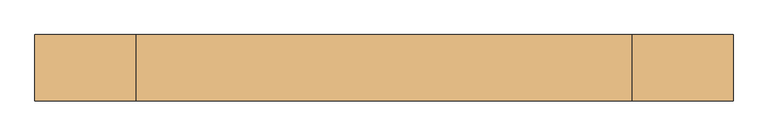
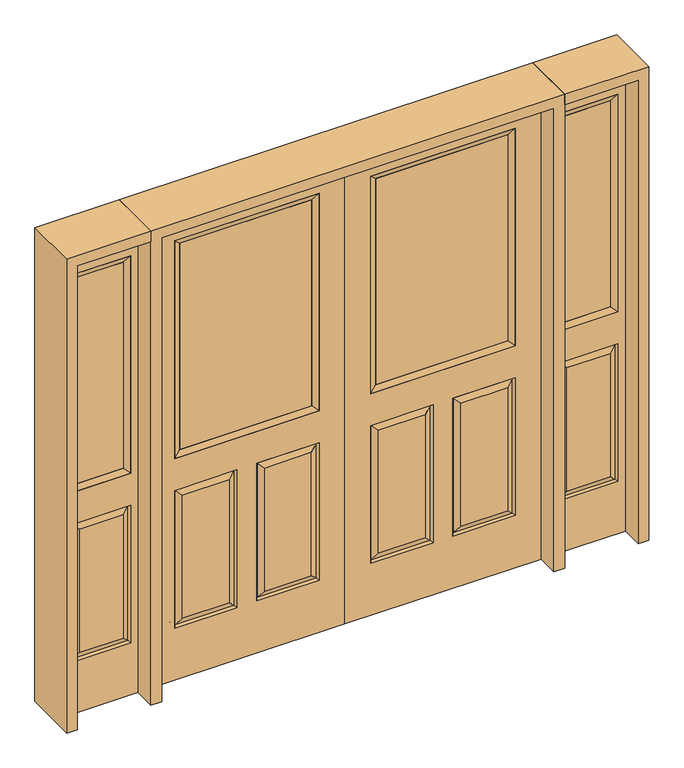
"""IFC4 building model written with IfcOpenShell, lengths in millimetres: door geometry."""

import ifcopenshell
import ifcopenshell.guid

model = None  # the IFC model being written
_history = None  # IfcOwnerHistory: only IFC2X3 demands one
_inside = {}  # id of a spatial element -> (the spatial element, [elements in it])
_under = {}  # id of a project, library or spatial element -> (it, [spatial elements below it])
_declared = {}  # id of a project -> (the project, [libraries it declares])
_typed = {}  # id of a type object -> (the type object, [elements of that type])
_made_of = {}  # id of a material, layer set ... -> (it, [elements and type objects made of it])


def new_model(schema):
    """Start an empty IFC model of exactly this schema.

    Asked for "IFC4X3", IfcOpenShell would pick the latest addendum, in which some entities
    have other attributes; the version numbers below select the first issue.
    IFC2X3 requires an IfcOwnerHistory on every rooted entity: one is made here for all.
    """
    global model, _history
    if schema == "IFC4X3":
        model = ifcopenshell.file(schema_version=(4, 3, 0, 0))
    else:
        model = ifcopenshell.file(schema=schema)
    _inside.clear()
    _under.clear()
    _declared.clear()
    _typed.clear()
    _made_of.clear()
    _history = None
    if model.schema == "IFC2X3":
        org = make("IfcOrganization", Name="unknown")
        user = make(
            "IfcPersonAndOrganization",
            ThePerson=make("IfcPerson", FamilyName="unknown"),
            TheOrganization=org,
        )
        app = make(
            "IfcApplication",
            ApplicationDeveloper=org,
            Version="unknown",
            ApplicationFullName="unknown",
            ApplicationIdentifier="unknown",
        )
        _history = make(
            "IfcOwnerHistory",
            OwningUser=user,
            OwningApplication=app,
            ChangeAction="ADDED",
            CreationDate=0,
        )
    return model


def make(cls, **values):
    """One entity of the class cls with the attributes given. An attribute that is None is left unset."""
    return model.create_entity(
        cls, **{name: value for name, value in values.items() if value is not None}
    )


def rooted(cls, **values):
    """An entity with a GlobalId (a new one), such as an element, a storey or a relation."""
    return make(cls, GlobalId=ifcopenshell.guid.new(), OwnerHistory=_history, **values)


def si_unit(unit_type, name, prefix=None):
    """IfcSIUnit, for example si_unit("LENGTHUNIT", "METRE", prefix="MILLI")."""
    return make("IfcSIUnit", UnitType=unit_type, Prefix=prefix, Name=name)


def assignment(units):
    """IfcUnitAssignment: the units of a project."""
    return None if units is None else make("IfcUnitAssignment", Units=units)


def point(xyz):
    """IfcCartesianPoint."""
    return None if xyz is None else make("IfcCartesianPoint", Coordinates=xyz)


def direction(xyz):
    """IfcDirection."""
    return None if xyz is None else make("IfcDirection", DirectionRatios=xyz)


def frame(location, z_axis=None, x_axis=None):
    """IfcAxis2Placement3D, a coordinate frame: its origin and axes. An axis left out is left unset."""
    return make(
        "IfcAxis2Placement3D",
        Location=point(location),
        Axis=direction(z_axis),
        RefDirection=direction(x_axis),
    )


def origin():
    """The frame at (0, 0, 0) with its axes left unset."""
    return frame((0.0, 0.0, 0.0))


def place(relative_to, where):
    """IfcLocalPlacement: puts the frame where relative to a parent placement (None: the world)."""
    return make(
        "IfcLocalPlacement", PlacementRelTo=relative_to, RelativePlacement=where
    )


def context(
    kind, dimensions, precision=None, world=None, true_north=None, identifier=None
):
    """IfcGeometricRepresentationContext, for example the 3D "Model" context."""
    return make(
        "IfcGeometricRepresentationContext",
        ContextIdentifier=identifier,
        ContextType=kind,
        CoordinateSpaceDimension=dimensions,
        Precision=precision,
        WorldCoordinateSystem=world,
        TrueNorth=true_north,
    )


def project(units=None, contexts=None):
    """IfcProject with its units and contexts."""
    return rooted(
        "IfcProject",
        Name="project",
        RepresentationContexts=contexts,
        UnitsInContext=assignment(units),
    )


def spatial(cls, under=None, at=None, **own):
    """A site, building, storey or space (cls), placed at a placement, below another one or the project."""
    s = rooted(cls, ObjectPlacement=at, **own)
    if under is not None:
        _under.setdefault(under.id(), (under, []))[1].append(s)
    return s


def polyline(points):
    """IfcPolyline through the points."""
    return make("IfcPolyline", Points=[point(p) for p in points])


def outline(outer, holes=None, kind="AREA"):
    """IfcArbitraryClosedProfileDef: a profile drawn as a closed curve; with holes, ...WithVoids."""
    if holes is None:
        return make("IfcArbitraryClosedProfileDef", ProfileType=kind, OuterCurve=outer)
    return make(
        "IfcArbitraryProfileDefWithVoids",
        ProfileType=kind,
        OuterCurve=outer,
        InnerCurves=holes,
    )


def extrude(swept, where, along, depth):
    """IfcExtrudedAreaSolid: the profile swept, set in the frame where, extruded along a direction by depth."""
    return make(
        "IfcExtrudedAreaSolid",
        SweptArea=swept,
        Position=where,
        ExtrudedDirection=direction(along),
        Depth=depth,
    )


def faces_of(points, faces, orient=None, outer=None):
    """IfcFace entities. A face is a list of loops; a loop is a list of indices into points, from 0.

    orient and outer hold one flag for each loop. By default every Orientation is true, the
    first loop of a face is its IfcFaceOuterBound and the others are IfcFaceBound.
    """
    made = []
    for i, loops in enumerate(faces):
        bounds = []
        for j, loop in enumerate(loops):
            is_outer = j == 0 if outer is None else outer[i][j]
            bounds.append(
                make(
                    "IfcFaceOuterBound" if is_outer else "IfcFaceBound",
                    Bound=make("IfcPolyLoop", Polygon=[points[k] for k in loop]),
                    Orientation=True if orient is None else orient[i][j],
                )
            )
        made.append(make("IfcFace", Bounds=bounds))
    return made


def faceted_brep(points, faces, orient=None, outer=None, voids=None):
    """IfcFacetedBrep: a solid bounded by flat faces; with voids (closed shells), ...WithVoids."""
    shared = [point(p) for p in points]
    hull = make("IfcClosedShell", CfsFaces=faces_of(shared, faces, orient, outer))
    if voids is None:
        return make("IfcFacetedBrep", Outer=hull)
    return make(
        "IfcFacetedBrepWithVoids",
        Outer=hull,
        Voids=[
            make(cls, CfsFaces=faces_of(shared, fs, o, b)) for cls, fs, o, b in voids
        ],
    )


def shape(context_of_items, identifier, shape_type, items):
    """IfcShapeRepresentation: the items that make up one representation, for example the "Body"."""
    return make(
        "IfcShapeRepresentation",
        ContextOfItems=context_of_items,
        RepresentationIdentifier=identifier,
        RepresentationType=shape_type,
        Items=items,
    )


def source(mapping_origin, context_of_items, identifier, shape_type, items):
    """IfcRepresentationMap: a shape defined once, which mapped items show again and again."""
    return make(
        "IfcRepresentationMap",
        MappingOrigin=mapping_origin,
        MappedRepresentation=shape(context_of_items, identifier, shape_type, items),
    )


def transform(
    local_origin,
    x_axis=None,
    y_axis=None,
    z_axis=None,
    scale=None,
    scale2=None,
    scale3=None,
    uniform=True,
):
    """IfcCartesianTransformationOperator3D, or its non-uniform kind. x_axis, y_axis, z_axis: its Axis1, 2, 3."""
    if uniform:
        return make(
            "IfcCartesianTransformationOperator3D",
            Axis1=direction(x_axis),
            Axis2=direction(y_axis),
            LocalOrigin=point(local_origin),
            Scale=scale,
            Axis3=direction(z_axis),
        )
    return make(
        "IfcCartesianTransformationOperator3DnonUniform",
        Axis1=direction(x_axis),
        Axis2=direction(y_axis),
        LocalOrigin=point(local_origin),
        Scale=scale,
        Axis3=direction(z_axis),
        Scale2=scale2,
        Scale3=scale3,
    )


def mapped(mapping_source, mapping_target):
    """IfcMappedItem: shows the shape of a source again, moved by a transform."""
    return make(
        "IfcMappedItem", MappingSource=mapping_source, MappingTarget=mapping_target
    )


def made_of(thing, what):
    """Note that an element or type object is made of a material, layer set ...; save() writes the relation."""
    if what is not None:
        _made_of.setdefault(what.id(), (what, []))[1].append(thing)
    return thing


def element(
    cls,
    number,
    at=None,
    inside=None,
    cuts=None,
    type_object=None,
    material=None,
    context=None,
    identifier="Body",
    shape_type=None,
    held_by="IfcProductDefinitionShape",
    body=None,
    shapes=None,
    **own,
):
    """One element of the class cls, such as IfcWall. Its Tag is "e" and its number.

    at: its placement. inside: the storey or other place that contains it. cuts: it is an
    opening in that element (IfcRelVoidsElement). A single representation is given by context,
    identifier, shape_type and body (its items); several are given by shapes. held_by: the class
    of the entity that holds the representations. save() writes the other relations.
    """
    e = rooted(cls, Tag="e%d" % number, ObjectPlacement=at, **own)
    if body is not None:
        shapes = [shape(context, identifier, shape_type, body)]
    if shapes is not None:
        e.Representation = make(held_by, Representations=shapes)
    if inside is not None:
        _inside.setdefault(inside.id(), (inside, []))[1].append(e)
    if cuts is not None:
        rooted(
            "IfcRelVoidsElement", RelatingBuildingElement=cuts, RelatedOpeningElement=e
        )
    if type_object is not None:
        _typed.setdefault(type_object.id(), (type_object, []))[1].append(e)
    return made_of(e, material)


def aggregate(whole, parts):
    """IfcRelAggregates: a whole, such as a stair, and the parts it consists of."""
    return rooted("IfcRelAggregates", RelatingObject=whole, RelatedObjects=parts)


def save(model, path):
    """Write the relations noted so far, then the file.

    IfcRelAggregates (storeys below a building ...), IfcRelContainedInSpatialStructure (elements
    in a storey), IfcRelDefinesByType, IfcRelAssociatesMaterial and IfcRelDeclares: one each for
    every whole, place, type object, material and project.
    """
    for whole, parts in _under.values():
        aggregate(whole, parts)
    for where, things in _inside.values():
        rooted(
            "IfcRelContainedInSpatialStructure",
            RelatedElements=things,
            RelatingStructure=where,
        )
    for kind, things in _typed.values():
        rooted("IfcRelDefinesByType", RelatedObjects=things, RelatingType=kind)
    for what, things in _made_of.values():
        rooted("IfcRelAssociatesMaterial", RelatedObjects=things, RelatingMaterial=what)
    for by, libraries in _declared.values():
        rooted("IfcRelDeclares", RelatingContext=by, RelatedDefinitions=libraries)
    model.write(path)


def door_885481d7(model_context):
    return source(origin(), model_context, "Body", "SolidModel", [
        faceted_brep([(812.8, -22.225, 0.0), (812.8, -22.225, 2032.0), (0.0, -22.225, 2032.0), (0.0, -22.225, 0.0), (705.739, -22.225, 971.55), (107.061, -22.225, 971.55), (107.061, -22.225, 1925.574), (705.739, -22.225, 1925.574), (705.739, -22.225, 831.85), (705.739, -22.225, 228.6), (447.675, -22.225, 228.6), (447.675, -22.225, 831.85), (365.125, -22.225, 831.85), (365.125, -22.225, 228.6), (107.061, -22.225, 228.6), (107.061, -22.225, 831.85), (479.425, -22.225, 800.1), (479.425, -22.225, 260.35), (673.989, -22.225, 260.35), (673.989, -22.225, 800.1), (138.811, -22.225, 800.1), (138.811, -22.225, 260.35), (333.375, -22.225, 260.35), (333.375, -22.225, 800.1), (0.0, 22.225, 0.0), (812.8, 22.225, 0.0), (0.0, 22.225, 2032.0), (812.8, 22.225, 2032.0), (705.739, 22.225, 1925.574), (705.739, 22.225, 971.55), (107.061, 22.225, 971.55), (107.061, 22.225, 1925.574), (698.59525, -12.7449236, 824.70625), (454.81875, -12.7449236, 824.70625), (698.59525, -12.7449236, 235.74375), (454.81875, -12.7449236, 235.74375), (114.20475, -12.7449236, 824.70625), (357.98125, -12.7449236, 824.70625), (357.98125, -12.7449236, 235.74375), (114.20475, -12.7449236, 235.74375), (447.675, 22.225, 831.85), (447.675, 22.225, 228.6), (705.739, 22.225, 228.6), (705.739, 22.225, 831.85), (107.061, 22.225, 831.85), (107.061, 22.225, 228.6), (365.125, 22.225, 228.6), (365.125, 22.225, 831.85), (673.989, 22.225, 800.1), (673.989, 22.225, 260.35), (479.425, 22.225, 260.35), (479.425, 22.225, 800.1), (333.375, 22.225, 800.1), (333.375, 22.225, 260.35), (138.811, 22.225, 260.35), (138.811, 22.225, 800.1), (698.59525, 12.7449236, 824.70625), (454.81875, 12.7449236, 824.70625), (454.81875, 12.7449236, 235.74375), (698.59525, 12.7449236, 235.74375), (114.20475, 12.7449236, 824.70625), (357.98125, 12.7449236, 824.70625), (114.20475, 12.7449236, 235.74375), (357.98125, 12.7449236, 235.74375)], [[[0, 1, 2, 3], [4, 5, 6, 7], [8, 9, 10, 11], [12, 13, 14, 15]], [[16, 17, 18, 19]], [[20, 21, 22, 23]], [[3, 24, 25, 0]], [[2, 26, 24, 3]], [[0, 25, 27, 1]], [[7, 28, 29, 4]], [[5, 30, 31, 6]], [[4, 29, 30, 5]], [[16, 19, 32, 33]], [[19, 18, 34, 32]], [[35, 34, 18, 17]], [[33, 35, 17, 16]], [[32, 8, 11, 33]], [[11, 10, 35, 33]], [[10, 9, 34, 35]], [[32, 34, 9, 8]], [[36, 20, 23, 37]], [[23, 22, 38, 37]], [[22, 21, 39, 38]], [[36, 39, 21, 20]], [[37, 12, 15, 36]], [[15, 14, 39, 36]], [[38, 39, 14, 13]], [[37, 38, 13, 12]], [[25, 24, 26, 27], [29, 28, 31, 30], [40, 41, 42, 43], [44, 45, 46, 47]], [[48, 49, 50, 51]], [[52, 53, 54, 55]], [[56, 48, 51, 57]], [[51, 50, 58, 57]], [[50, 49, 59, 58]], [[56, 59, 49, 48]], [[57, 40, 43, 56]], [[43, 42, 59, 56]], [[58, 59, 42, 41]], [[57, 58, 41, 40]], [[52, 55, 60, 61]], [[55, 54, 62, 60]], [[63, 62, 54, 53]], [[61, 63, 53, 52]], [[60, 44, 47, 61]], [[47, 46, 63, 61]], [[46, 45, 62, 63]], [[60, 62, 45, 44]], [[1, 27, 26, 2]], [[6, 31, 28, 7]]]),
        extrude(outline(polyline([(132.461, -12.7), (132.461, 12.7), (680.339, 12.7), (680.339, -12.7), (132.461, -12.7)])), frame((0.0, 0.0, 996.95), z_axis=(0.0, 0.0, 1.0), x_axis=(1.0, 0.0, 0.0)), (0.0, 0.0, 1.0), 903.224),
        faceted_brep([(705.739, -22.225, 1925.574), (705.739, -22.225, 971.55), (705.739, 22.225, 971.55), (705.739, 22.225, 1925.574), (107.061, -22.225, 971.55), (107.061, 22.225, 971.55), (132.461, 12.7, 996.95), (680.339, 12.7, 996.95), (107.061, -22.225, 1925.574), (107.061, 22.225, 1925.574), (680.339, -12.7, 996.95), (132.461, -12.7, 996.95), (680.339, -12.7, 1900.174), (132.461, -12.7, 1900.174), (680.339, 12.7, 1900.174), (132.461, 12.7, 1900.174)], [[[0, 1, 2, 3]], [[1, 4, 5, 2]], [[2, 5, 6, 7]], [[4, 8, 9, 5]], [[10, 11, 4, 1]], [[12, 10, 1, 0]], [[11, 13, 8, 4]], [[7, 6, 11, 10]], [[14, 7, 10, 12]], [[6, 15, 13, 11]], [[3, 2, 7, 14]], [[5, 9, 15, 6]], [[8, 0, 3, 9]], [[13, 12, 0, 8]], [[15, 14, 12, 13]], [[9, 3, 14, 15]]]),
        faceted_brep([(-812.8, -22.225, 0.0), (0.0, -22.225, 0.0), (0.0, -22.225, 2032.0), (-812.8, -22.225, 2032.0), (-705.739, -22.225, 971.55), (-705.739, -22.225, 1925.574), (-107.061, -22.225, 1925.574), (-107.061, -22.225, 971.55), (-705.739, -22.225, 831.85), (-447.675, -22.225, 831.85), (-447.675, -22.225, 228.6), (-705.739, -22.225, 228.6), (-365.125, -22.225, 831.85), (-107.061, -22.225, 831.85), (-107.061, -22.225, 228.6), (-365.125, -22.225, 228.6), (-479.425, -22.225, 800.1), (-673.989, -22.225, 800.1), (-673.989, -22.225, 260.35), (-479.425, -22.225, 260.35), (-138.811, -22.225, 800.1), (-333.375, -22.225, 800.1), (-333.375, -22.225, 260.35), (-138.811, -22.225, 260.35), (-812.8, 22.225, 0.0), (0.0, 22.225, 0.0), (0.0, 22.225, 2032.0), (-812.8, 22.225, 2032.0), (-705.739, 22.225, 971.55), (-705.739, 22.225, 1925.574), (-107.061, 22.225, 1925.574), (-107.061, 22.225, 971.55), (-454.81875, -12.7449236, 824.70625), (-698.59525, -12.7449236, 824.70625), (-698.59525, -12.7449236, 235.74375), (-454.81875, -12.7449236, 235.74375), (-114.20475, -12.7449236, 824.70625), (-357.98125, -12.7449236, 824.70625), (-357.98125, -12.7449236, 235.74375), (-114.20475, -12.7449236, 235.74375), (-447.675, 22.225, 831.85), (-705.739, 22.225, 831.85), (-705.739, 22.225, 228.6), (-447.675, 22.225, 228.6), (-107.061, 22.225, 831.85), (-365.125, 22.225, 831.85), (-365.125, 22.225, 228.6), (-107.061, 22.225, 228.6), (-673.989, 22.225, 800.1), (-479.425, 22.225, 800.1), (-479.425, 22.225, 260.35), (-673.989, 22.225, 260.35), (-333.375, 22.225, 800.1), (-138.811, 22.225, 800.1), (-138.811, 22.225, 260.35), (-333.375, 22.225, 260.35), (-698.59525, 12.7449236, 824.70625), (-454.81875, 12.7449236, 824.70625), (-454.81875, 12.7449236, 235.74375), (-698.59525, 12.7449236, 235.74375), (-357.98125, 12.7449236, 824.70625), (-114.20475, 12.7449236, 824.70625), (-114.20475, 12.7449236, 235.74375), (-357.98125, 12.7449236, 235.74375)], [[[0, 1, 2, 3], [4, 5, 6, 7], [8, 9, 10, 11], [12, 13, 14, 15]], [[16, 17, 18, 19]], [[20, 21, 22, 23]], [[1, 0, 24, 25]], [[2, 1, 25, 26]], [[0, 3, 27, 24]], [[5, 4, 28, 29]], [[7, 6, 30, 31]], [[4, 7, 31, 28]], [[16, 32, 33, 17]], [[17, 33, 34, 18]], [[35, 19, 18, 34]], [[32, 16, 19, 35]], [[33, 32, 9, 8]], [[9, 32, 35, 10]], [[10, 35, 34, 11]], [[33, 8, 11, 34]], [[36, 37, 21, 20]], [[21, 37, 38, 22]], [[22, 38, 39, 23]], [[36, 20, 23, 39]], [[37, 36, 13, 12]], [[13, 36, 39, 14]], [[38, 15, 14, 39]], [[37, 12, 15, 38]], [[24, 27, 26, 25], [28, 31, 30, 29], [40, 41, 42, 43], [44, 45, 46, 47]], [[48, 49, 50, 51]], [[52, 53, 54, 55]], [[56, 57, 49, 48]], [[49, 57, 58, 50]], [[50, 58, 59, 51]], [[56, 48, 51, 59]], [[57, 56, 41, 40]], [[41, 56, 59, 42]], [[58, 43, 42, 59]], [[57, 40, 43, 58]], [[52, 60, 61, 53]], [[53, 61, 62, 54]], [[63, 55, 54, 62]], [[60, 52, 55, 63]], [[61, 60, 45, 44]], [[45, 60, 63, 46]], [[46, 63, 62, 47]], [[61, 44, 47, 62]], [[3, 2, 26, 27]], [[6, 5, 29, 30]]]),
        extrude(outline(polyline([(-132.461, -12.7), (-680.339, -12.7), (-680.339, 12.7), (-132.461, 12.7), (-132.461, -12.7)])), frame((0.0, 0.0, 996.95), z_axis=(0.0, 0.0, 1.0), x_axis=(1.0, 0.0, 0.0)), (0.0, 0.0, 1.0), 903.224),
        faceted_brep([(-705.739, -22.225, 1925.574), (-705.739, 22.225, 1925.574), (-705.739, 22.225, 971.55), (-705.739, -22.225, 971.55), (-107.061, 22.225, 971.55), (-107.061, -22.225, 971.55), (-680.339, 12.7, 996.95), (-132.461, 12.7, 996.95), (-107.061, 22.225, 1925.574), (-107.061, -22.225, 1925.574), (-680.339, -12.7, 996.95), (-132.461, -12.7, 996.95), (-680.339, -12.7, 1900.174), (-132.461, -12.7, 1900.174), (-680.339, 12.7, 1900.174), (-132.461, 12.7, 1900.174)], [[[0, 1, 2, 3]], [[3, 2, 4, 5]], [[2, 6, 7, 4]], [[5, 4, 8, 9]], [[10, 3, 5, 11]], [[12, 0, 3, 10]], [[11, 5, 9, 13]], [[6, 10, 11, 7]], [[14, 12, 10, 6]], [[7, 11, 13, 15]], [[1, 14, 6, 2]], [[4, 7, 15, 8]], [[9, 8, 1, 0]], [[13, 9, 0, 12]], [[15, 13, 12, 14]], [[8, 15, 14, 1]]]),
        faceted_brep([(1162.05, -22.225, 0.0), (1162.05, -22.225, 2032.0), (857.25, -22.225, 2032.0), (857.25, -22.225, 0.0), (888.238, -22.225, 1925.574), (1131.062, -22.225, 1925.574), (1131.062, -22.225, 971.55), (888.238, -22.225, 971.55), (888.238, -22.225, 228.6), (888.238, -22.225, 831.85), (1131.062, -22.225, 831.85), (1131.062, -22.225, 228.6), (1099.1559872, -22.225, 260.5060128), (1099.1559872, -22.225, 799.9439872), (920.1440128, -22.225, 799.9439872), (920.1440128, -22.225, 260.5060128), (857.25, 22.225, 0.0), (1162.05, 22.225, 0.0), (857.25, 22.225, 2032.0), (1162.05, 22.225, 2032.0), (888.238, 22.225, 971.55), (888.238, 22.225, 1925.574), (1131.062, 22.225, 971.55), (1131.062, 22.225, 1925.574), (1131.062, 22.225, 228.6), (1131.062, 22.225, 831.85), (888.238, 22.225, 831.85), (888.238, 22.225, 228.6), (920.1440128, 22.225, 260.5060128), (920.1440128, 22.225, 799.9439872), (1099.1559872, 22.225, 799.9439872), (1099.1559872, 22.225, 260.5060128), (1124.1419933, -13.0418409, 235.5200067), (895.1580067, -13.0418409, 235.5200067), (1124.1419933, -13.0418409, 824.9299933), (895.1580067, -13.0418409, 824.9299933), (1124.1419933, 13.0418409, 235.5200067), (895.1580067, 13.0418409, 235.5200067), (895.1580067, 13.0418409, 824.9299933), (1124.1419933, 13.0418409, 824.9299933)], [[[0, 1, 2, 3], [4, 5, 6, 7], [8, 9, 10, 11]], [[12, 13, 14, 15]], [[3, 16, 17, 0]], [[2, 18, 16, 3]], [[0, 17, 19, 1]], [[7, 20, 21, 4]], [[6, 22, 20, 7]], [[5, 23, 22, 6]], [[17, 16, 18, 19], [21, 20, 22, 23], [24, 25, 26, 27]], [[28, 29, 30, 31]], [[1, 19, 18, 2]], [[4, 21, 23, 5]], [[8, 11, 32, 33]], [[11, 10, 34, 32]], [[35, 34, 10, 9]], [[33, 35, 9, 8]], [[32, 12, 15, 33]], [[15, 14, 35, 33]], [[14, 13, 34, 35]], [[32, 34, 13, 12]], [[36, 24, 27, 37]], [[27, 26, 38, 37]], [[26, 25, 39, 38]], [[36, 39, 25, 24]], [[37, 28, 31, 36]], [[31, 30, 39, 36]], [[38, 39, 30, 29]], [[37, 38, 29, 28]]]),
        extrude(outline(polyline([(913.638, -12.7), (913.638, 12.7), (1105.662, 12.7), (1105.662, -12.7), (913.638, -12.7)])), frame((0.0, 0.0, 996.95), z_axis=(0.0, 0.0, 1.0), x_axis=(1.0, 0.0, 0.0)), (0.0, 0.0, 1.0), 903.224),
        faceted_brep([(1131.062, -22.225, 1925.574), (1131.062, -22.225, 971.55), (1131.062, 22.225, 971.55), (1131.062, 22.225, 1925.574), (888.238, -22.225, 971.55), (888.238, 22.225, 971.55), (913.638, 12.7, 996.95), (1105.662, 12.7, 996.95), (888.238, -22.225, 1925.574), (888.238, 22.225, 1925.574), (1105.662, -12.7, 996.95), (913.638, -12.7, 996.95), (1105.662, -12.7, 1900.174), (913.638, -12.7, 1900.174), (1105.662, 12.7, 1900.174), (913.638, 12.7, 1900.174)], [[[0, 1, 2, 3]], [[1, 4, 5, 2]], [[2, 5, 6, 7]], [[4, 8, 9, 5]], [[10, 11, 4, 1]], [[12, 10, 1, 0]], [[11, 13, 8, 4]], [[7, 6, 11, 10]], [[14, 7, 10, 12]], [[6, 15, 13, 11]], [[3, 2, 7, 14]], [[5, 9, 15, 6]], [[8, 0, 3, 9]], [[13, 12, 0, 8]], [[15, 14, 12, 13]], [[9, 3, 14, 15]]]),
        faceted_brep([(-1162.05, -22.225, 0.0), (-857.25, -22.225, 0.0), (-857.25, -22.225, 2032.0), (-1162.05, -22.225, 2032.0), (-888.238, -22.225, 1925.574), (-888.238, -22.225, 971.55), (-1131.062, -22.225, 971.55), (-1131.062, -22.225, 1925.574), (-888.238, -22.225, 228.6), (-1131.062, -22.225, 228.6), (-1131.062, -22.225, 831.85), (-888.238, -22.225, 831.85), (-1099.1559872, -22.225, 260.5060128), (-920.1440128, -22.225, 260.5060128), (-920.1440128, -22.225, 799.9439872), (-1099.1559872, -22.225, 799.9439872), (-1162.05, 22.225, 0.0), (-857.25, 22.225, 0.0), (-857.25, 22.225, 2032.0), (-1162.05, 22.225, 2032.0), (-888.238, 22.225, 1925.574), (-888.238, 22.225, 971.55), (-1131.062, 22.225, 971.55), (-1131.062, 22.225, 1925.574), (-1131.062, 22.225, 228.6), (-888.238, 22.225, 228.6), (-888.238, 22.225, 831.85), (-1131.062, 22.225, 831.85), (-920.1440128, 22.225, 260.5060128), (-1099.1559872, 22.225, 260.5060128), (-1099.1559872, 22.225, 799.9439872), (-920.1440128, 22.225, 799.9439872), (-895.1580067, -13.0418409, 235.5200067), (-1124.1419933, -13.0418409, 235.5200067), (-1124.1419933, -13.0418409, 824.9299933), (-895.1580067, -13.0418409, 824.9299933), (-1124.1419933, 13.0418409, 235.5200067), (-895.1580067, 13.0418409, 235.5200067), (-895.1580067, 13.0418409, 824.9299933), (-1124.1419933, 13.0418409, 824.9299933)], [[[0, 1, 2, 3], [4, 5, 6, 7], [8, 9, 10, 11]], [[12, 13, 14, 15]], [[1, 0, 16, 17]], [[2, 1, 17, 18]], [[0, 3, 19, 16]], [[5, 4, 20, 21]], [[6, 5, 21, 22]], [[7, 6, 22, 23]], [[16, 19, 18, 17], [20, 23, 22, 21], [24, 25, 26, 27]], [[28, 29, 30, 31]], [[3, 2, 18, 19]], [[4, 7, 23, 20]], [[8, 32, 33, 9]], [[9, 33, 34, 10]], [[35, 11, 10, 34]], [[32, 8, 11, 35]], [[33, 32, 13, 12]], [[13, 32, 35, 14]], [[14, 35, 34, 15]], [[33, 12, 15, 34]], [[36, 37, 25, 24]], [[25, 37, 38, 26]], [[26, 38, 39, 27]], [[36, 24, 27, 39]], [[37, 36, 29, 28]], [[29, 36, 39, 30]], [[38, 31, 30, 39]], [[37, 28, 31, 38]]]),
        extrude(outline(polyline([(-913.638, -12.7), (-1105.662, -12.7), (-1105.662, 12.7), (-913.638, 12.7), (-913.638, -12.7)])), frame((0.0, 0.0, 996.95), z_axis=(0.0, 0.0, 1.0), x_axis=(1.0, 0.0, 0.0)), (0.0, 0.0, 1.0), 903.224),
        faceted_brep([(-1131.062, -22.225, 1925.574), (-1131.062, 22.225, 1925.574), (-1131.062, 22.225, 971.55), (-1131.062, -22.225, 971.55), (-888.238, 22.225, 971.55), (-888.238, -22.225, 971.55), (-1105.662, 12.7, 996.95), (-913.638, 12.7, 996.95), (-888.238, 22.225, 1925.574), (-888.238, -22.225, 1925.574), (-1105.662, -12.7, 996.95), (-913.638, -12.7, 996.95), (-1105.662, -12.7, 1900.174), (-913.638, -12.7, 1900.174), (-1105.662, 12.7, 1900.174), (-913.638, 12.7, 1900.174)], [[[0, 1, 2, 3]], [[3, 2, 4, 5]], [[2, 6, 7, 4]], [[5, 4, 8, 9]], [[10, 3, 5, 11]], [[12, 0, 3, 10]], [[11, 5, 9, 13]], [[6, 10, 11, 7]], [[14, 12, 10, 6]], [[7, 11, 13, 15]], [[1, 14, 6, 2]], [[4, 7, 15, 8]], [[9, 8, 1, 0]], [[13, 9, 0, 12]], [[15, 13, 12, 14]], [[8, 15, 14, 1]]]),
        extrude(outline(polyline([(2032.0, -857.25), (2076.45, -857.25), (2076.45, -1206.5), (0.0, -1206.5), (0.0, -1162.05), (2032.0, -1162.05), (2032.0, -857.25)])), frame((0.0, -114.3, 0.0), z_axis=(0.0, 1.0, 0.0), x_axis=(0.0, 0.0, 1.0)), (0.0, 0.0, 1.0), 228.6),
        extrude(outline(polyline([(2076.45, 857.25), (2032.0, 857.25), (2032.0, 1162.05), (0.0, 1162.05), (0.0, 1206.5), (2076.45, 1206.5), (2076.45, 857.25)])), frame((0.0, -114.3, 0.0), z_axis=(0.0, 1.0, 0.0), x_axis=(0.0, 0.0, 1.0)), (0.0, 0.0, 1.0), 228.6),
        extrude(outline(polyline([(0.0, -857.25), (0.0, -812.8), (2032.0, -812.8), (2032.0, 812.8), (0.0, 812.8), (0.0, 857.25), (2076.45, 857.25), (2076.45, -857.25), (0.0, -857.25)])), frame((0.0, -114.3, 0.0), z_axis=(0.0, 1.0, 0.0), x_axis=(0.0, 0.0, 1.0)), (0.0, 0.0, 1.0), 228.6),
    ])


if __name__ == "__main__":
    model = new_model("IFC4")
    model_context = context("Model", 3, world=origin())
    ifc_project = project(units=[si_unit("LENGTHUNIT", "METRE", prefix="MILLI")], contexts=[model_context])
    site = spatial("IfcSite", under=ifc_project)
    building = spatial("IfcBuilding", under=site)
    placement = place(None, origin())
    door_shape = door_885481d7(model_context)
    element("IfcDoor", 1, at=placement, inside=building, context=model_context, shape_type="MappedRepresentation", body=[
        mapped(door_shape, transform((0.0, 0.0, 0.0), x_axis=(1.0, 0.0, 0.0), y_axis=(0.0, 1.0, 0.0), z_axis=(0.0, 0.0, 1.0))),
    ])
    save(model, "model.ifc")
